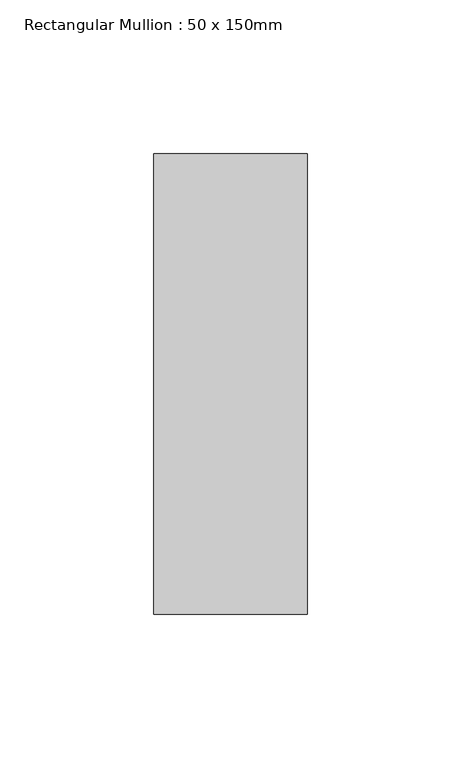
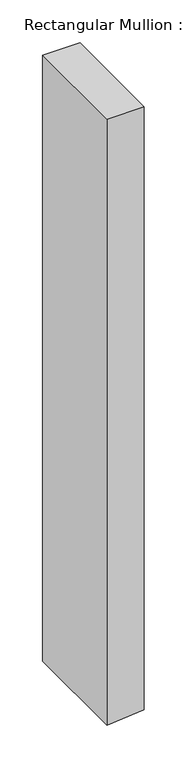
"""IFC4 building model written with IfcOpenShell, lengths in millimetres: member geometry, Rectangular Mullion : 50 x 150mm."""

from ifc_helpers import new_model, si_unit, frame, origin, place, context, project, spatial, polyline, outline, extrude, source, transform, mapped, element, save


def rectangular_mullion_50_x_150mm_8cd3b317(model_context):
    return source(origin(), model_context, "Body", "SweptSolid", [
        extrude(outline(polyline([(0.0, 25.0), (0.0, -25.0), (-862.7358776, -25.0), (-860.929918, -4.3577871), (-858.3614444, 25.0), (0.0, 25.0)])), frame((0.0, -75.0, 0.0), z_axis=(0.0, 1.0, 0.0), x_axis=(0.0, 0.0, 1.0)), (0.0, 0.0, 1.0), 150.0),
    ])


if __name__ == "__main__":
    model = new_model("IFC4")
    model_context = context("Model", 3, world=origin())
    ifc_project = project(units=[si_unit("LENGTHUNIT", "METRE", prefix="MILLI")], contexts=[model_context])
    site = spatial("IfcSite", under=ifc_project)
    building = spatial("IfcBuilding", under=site)
    placement = place(None, origin())
    rectangular_mullion_50_x_150mm_shape = rectangular_mullion_50_x_150mm_8cd3b317(model_context)
    element("IfcMember", 1, ObjectType="Rectangular Mullion : 50 x 150mm", at=placement, inside=building, context=model_context, shape_type="MappedRepresentation", body=[
        mapped(rectangular_mullion_50_x_150mm_shape, transform((0.0, 0.0, 0.0), x_axis=(1.0, 0.0, 0.0), y_axis=(0.0, 1.0, 0.0), z_axis=(0.0, 0.0, 1.0))),
    ])
    save(model, "model.ifc")
